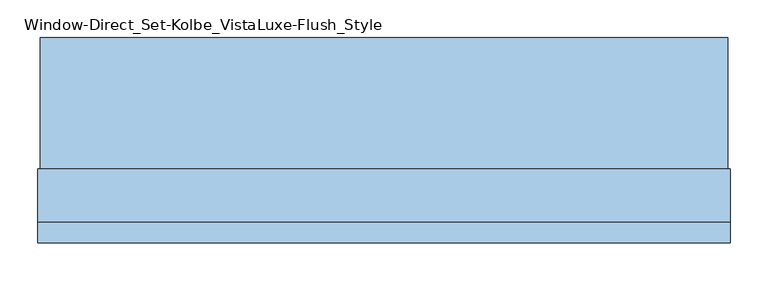
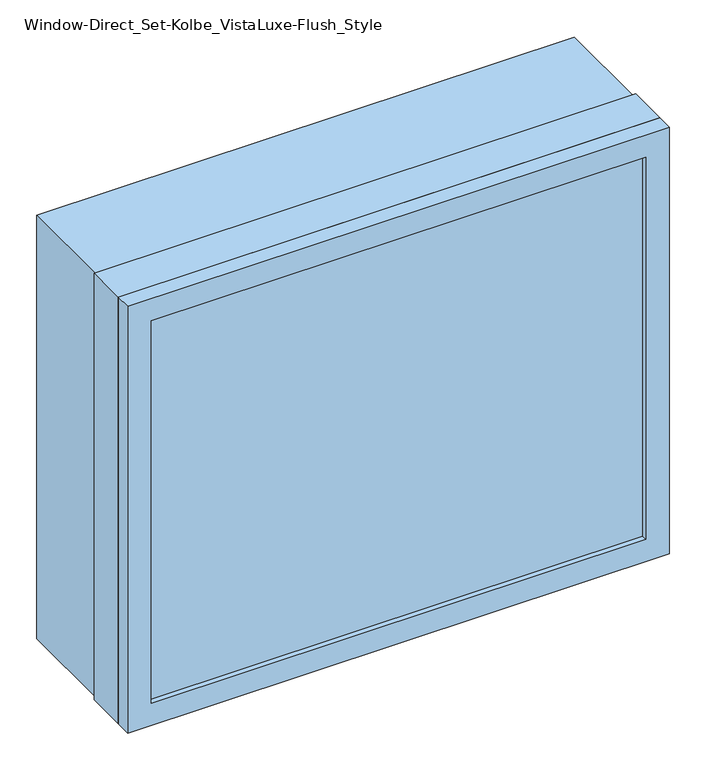
"""IFC4 building model written with IfcOpenShell, lengths in millimetres: window geometry, Window-Direct_Set-Kolbe_VistaLuxe-Flush_Style."""

from ifc_helpers import new_model, si_unit, frame, origin, place, context, project, spatial, polyline, outline, extrude, faceted_brep, source, transform, mapped, element, save


def window_direct_set_kolbe_vistaluxe_flush_style_e974b6b1(model_context):
    return source(origin(), model_context, "Body", "SolidModel", [
        extrude(outline(polyline([(1673.225, 447.8496242), (1673.225, -460.2003758), (917.575, -460.2003758), (917.575, 447.8496242), (1673.225, 447.8496242)]), holes=[polyline([(936.625, 428.7996242), (936.625, -441.1503758), (1654.175, -441.1503758), (1654.175, 428.7996242), (936.625, 428.7996242)])]), frame((0.0, -51.5747, 0.0), z_axis=(0.0, 1.0, 0.0), x_axis=(0.0, 0.0, 1.0)), (0.0, 0.0, 1.0), 173.8122),
        extrude(outline(polyline([(936.625, 428.7996242), (1654.175, 428.7996242), (1654.175, -441.1503758), (936.625, -441.1503758), (936.625, 428.7996242)]), holes=[polyline([(954.0875, -423.6878758), (1636.7125, -423.6878758), (1636.7125, 411.3371242), (954.0875, 411.3371242), (954.0875, -423.6878758)])]), frame((0.0, -118.20525, 0.0), z_axis=(0.0, 1.0, 0.0), x_axis=(0.0, 0.0, 1.0)), (0.0, 0.0, 1.0), 69.8246),
        faceted_brep([(451.0246242, -149.1615, 1676.4), (451.0246242, -122.2375, 1676.4), (-463.3753758, -122.2375, 1676.4), (-463.3753758, -149.1615, 1676.4), (411.3373659, -140.43025, 1636.7127418), (411.3373659, -149.1615, 1636.7127418), (-423.6881176, -149.1615, 1636.7127418), (-423.6881176, -140.43025, 1636.7127418), (428.7996242, -122.2375, 1654.175), (428.7996242, -140.43025, 1654.175), (-441.1503758, -140.43025, 1654.175), (-441.1503758, -122.2375, 1654.175), (-463.3753758, -122.2375, 914.4), (-463.3753758, -149.1615, 914.4), (-423.6881176, -149.1615, 954.0872582), (-423.6881176, -140.43025, 954.0872582), (-441.1503758, -140.43025, 936.625), (-441.1503758, -122.2375, 936.625), (451.0246242, -122.2375, 914.4), (451.0246242, -149.1615, 914.4), (411.3373659, -149.1615, 954.0872582), (411.3373659, -140.43025, 954.0872582), (428.7996242, -140.43025, 936.625), (428.7996242, -122.2375, 936.625)], [[[0, 1, 2, 3]], [[4, 5, 6, 7]], [[8, 9, 10, 11]], [[3, 2, 12, 13]], [[7, 6, 14, 15]], [[11, 10, 16, 17]], [[13, 12, 18, 19]], [[15, 14, 20, 21]], [[17, 16, 22, 23]], [[19, 18, 1, 0]], [[3, 13, 19, 0], [5, 20, 14, 6]], [[21, 20, 5, 4]], [[9, 22, 16, 10], [7, 15, 21, 4]], [[23, 22, 9, 8]], [[1, 18, 12, 2], [11, 17, 23, 8]]]),
        extrude(outline(polyline([(914.4, 451.0246242), (1676.4, 451.0246242), (1676.4, -463.3753758), (914.4, -463.3753758), (914.4, 451.0246242)]), holes=[polyline([(936.625, -441.1503758), (1654.175, -441.1503758), (1654.175, 428.7996242), (936.625, 428.7996242), (936.625, -441.1503758)])]), frame((0.0, -122.2375, 0.0), z_axis=(0.0, 1.0, 0.0), x_axis=(0.0, 0.0, 1.0)), (0.0, 0.0, 1.0), 70.6628),
        extrude(outline(polyline([(426.4183742, -121.38025), (-438.7691258, -121.38025), (-438.7691258, -118.20525), (426.4183742, -118.20525), (426.4183742, -121.38025)])), frame((0.0, 0.0, 946.15), z_axis=(0.0, 0.0, 1.0), x_axis=(1.0, 0.0, 0.0)), (0.0, 0.0, 1.0), 698.5),
        extrude(outline(polyline([(426.4183742, -137.25525), (426.4183742, -140.43025), (-438.7691258, -140.43025), (-438.7691258, -137.25525), (426.4183742, -137.25525)])), frame((0.0, 0.0, 946.15), z_axis=(0.0, 0.0, 1.0), x_axis=(1.0, 0.0, 0.0)), (0.0, 0.0, 1.0), 698.5),
    ])


if __name__ == "__main__":
    model = new_model("IFC4")
    model_context = context("Model", 3, world=origin())
    ifc_project = project(units=[si_unit("LENGTHUNIT", "METRE", prefix="MILLI")], contexts=[model_context])
    site = spatial("IfcSite", under=ifc_project)
    building = spatial("IfcBuilding", under=site)
    placement = place(None, origin())
    window_direct_set_kolbe_vistaluxe_flush_style_shape = window_direct_set_kolbe_vistaluxe_flush_style_e974b6b1(model_context)
    element("IfcWindow", 1, ObjectType="Window-Direct_Set-Kolbe_VistaLuxe-Flush_Style", at=placement, inside=building, context=model_context, shape_type="MappedRepresentation", body=[
        mapped(window_direct_set_kolbe_vistaluxe_flush_style_shape, transform((0.0, 0.0, 0.0), x_axis=(1.0, 0.0, 0.0), y_axis=(0.0, 1.0, 0.0), z_axis=(0.0, 0.0, 1.0))),
    ])
    save(model, "model.ifc")
